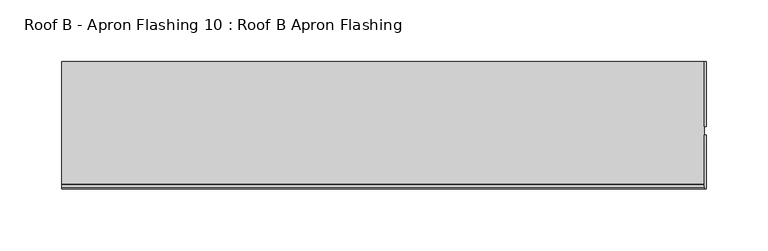
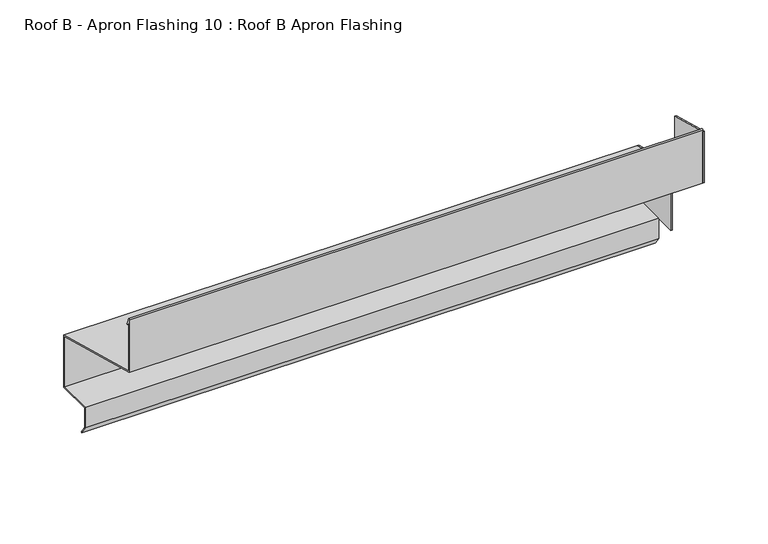
"""IFC4 building model written with IfcOpenShell, lengths in millimetres: proxy geometry, Roof B - Apron Flashing 10 : Roof B Apron Flashing."""

from ifc_helpers import new_model, si_unit, point, frame, frame_2d, origin, place, context, project, spatial, polyline, circle_curve, trimmed, segment, composite_curve, outline, extrude, source, transform, mapped, element, save


def roof_b_apron_flashing_10_roof_b_apron_flashing_a146fc51(model_context):
    return source(origin(), model_context, "Body", "SweptSolid", [
        extrude(outline(polyline([(660.2773132, -392.0096237), (607.9146699, -392.0096237), (607.9146699, -327.9790957), (660.2773132, -342.0096237), (660.2773132, -392.0096237)])), frame((9686.0219031, 0.0, 0.0), z_axis=(1.0, 0.0, 0.0), x_axis=(0.0, 1.0, 0.0)), (0.0, 0.0, 1.0), 1.3240587),
        extrude(outline(polyline([(601.0869444, -277.9169392), (601.0869444, -327.1848884), (557.4043312, -315.4801674), (557.4043312, -266.2122183), (601.0869444, -277.9169392)])), frame((9686.0219031, 0.0, 0.0), z_axis=(1.0, 0.0, 0.0), x_axis=(0.0, 1.0, 0.0)), (0.0, 0.0, 1.0), 1.3240587),
        extrude(outline(composite_curve([segment(polyline([(660.2773132, -342.0096237), (660.2773132, -392.0096237), (627.6739483, -392.0096237), (627.6739483, -410.3959053), (632.884848, -417.8378413), (632.065696, -418.4114178), (626.6739483, -410.7112041), (626.6739483, -391.0096237), (659.2773132, -391.0096237), (659.2773132, -342.7769507), (557.4043312, -315.4801674), (557.4043312, -264.8977528)]), True, "CONTINUOUS"), segment(trimmed(circle_curve(frame_2d((558.0833754, -264.8977528)), 0.6790442), [point((557.4043312, -264.8977528))], [point((558.7129742, -264.6433784))], False, "CARTESIAN"), True, "CONTINUOUS"), segment(polyline([(558.7129742, -264.6433784), (561.1274291, -270.6193639)]), True, "CONTINUOUS"), segment(trimmed(circle_curve(frame_2d((560.6638371, -270.8066672)), 0.5), [point((561.1274291, -270.6193639))], [point((560.2002452, -270.9939705))], False, "CARTESIAN"), True, "CONTINUOUS"), segment(polyline([(560.2002452, -270.9939705), (558.4043312, -266.5489273), (558.4043312, -314.7128405), (660.2773132, -342.0096237)]), True, "CONTINUOUS")], self_intersect=False)), frame((9166.9913177, 0.0, 0.0), z_axis=(1.0, 0.0, 0.0), x_axis=(0.0, 1.0, 0.0)), (0.0, 0.0, 1.0), 519.0305854),
    ])


if __name__ == "__main__":
    model = new_model("IFC4")
    model_context = context("Model", 3, world=origin())
    ifc_project = project(units=[si_unit("LENGTHUNIT", "METRE", prefix="MILLI")], contexts=[model_context])
    site = spatial("IfcSite", under=ifc_project)
    building = spatial("IfcBuilding", under=site)
    placement = place(None, origin())
    roof_b_apron_flashing_10_roof_b_apron_flashing_shape = roof_b_apron_flashing_10_roof_b_apron_flashing_a146fc51(model_context)
    element("IfcBuildingElementProxy", 1, Name="Roof B - Apron Flashing 10 : Roof B Apron Flashing", ObjectType="Roof B - Apron Flashing 10 : Roof B Apron Flashing", at=placement, inside=building, context=model_context, shape_type="MappedRepresentation", body=[
        mapped(roof_b_apron_flashing_10_roof_b_apron_flashing_shape, transform((0.0, 0.0, 0.0), x_axis=(1.0, 0.0, 0.0), y_axis=(0.0, 1.0, 0.0), z_axis=(0.0, 0.0, 1.0))),
    ])
    save(model, "model.ifc")
